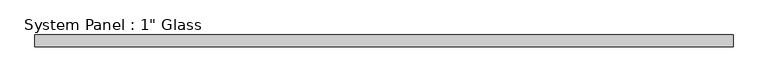
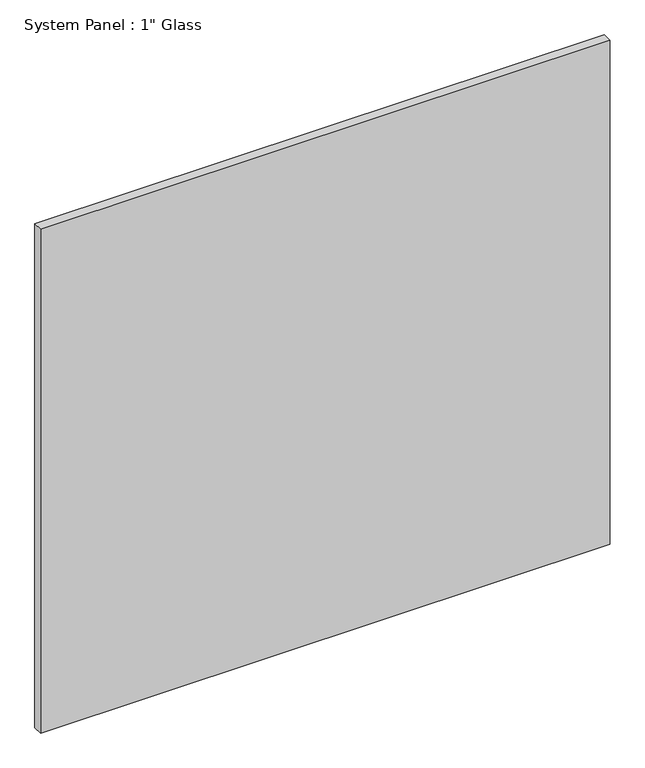
"""IFC4 building model written with IfcOpenShell, lengths in millimetres: plate geometry."""

from ifc_helpers import new_model, si_unit, origin, origin_with_axes, place, context, project, spatial, polyline, outline, extrude, source, transform, mapped, element, save


def plate_3800d085(model_context):
    return source(origin(), model_context, "Body", "SweptSolid", [
        extrude(outline(polyline([(742.9508852, -10.31875), (-742.9508852, -10.31875), (-742.9508852, 15.08125), (742.9508852, 15.08125), (742.9508852, -10.31875)])), origin_with_axes(), (0.0, 0.0, 1.0), 1388.8591382),
    ])


if __name__ == "__main__":
    model = new_model("IFC4")
    model_context = context("Model", 3, world=origin())
    ifc_project = project(units=[si_unit("LENGTHUNIT", "METRE", prefix="MILLI")], contexts=[model_context])
    site = spatial("IfcSite", under=ifc_project)
    building = spatial("IfcBuilding", under=site)
    placement = place(None, origin())
    plate_shape = plate_3800d085(model_context)
    element("IfcPlate", 1, ObjectType="System Panel : 1\" Glass", at=placement, inside=building, context=model_context, shape_type="MappedRepresentation", body=[
        mapped(plate_shape, transform((0.0, 0.0, 0.0), x_axis=(1.0, 0.0, 0.0), y_axis=(0.0, 1.0, 0.0), z_axis=(0.0, 0.0, 1.0))),
    ])
    save(model, "model.ifc")
